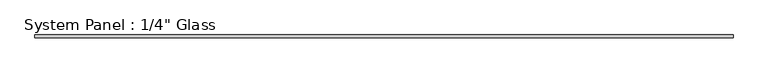
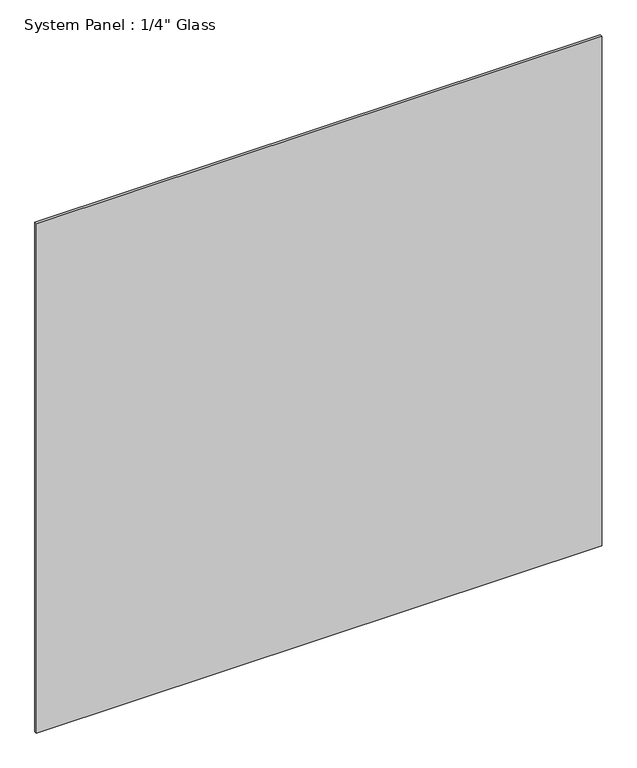
"""IFC4 building model written with IfcOpenShell, lengths in millimetres: plate geometry."""

from ifc_helpers import new_model, si_unit, origin, origin_with_axes, place, context, project, spatial, polyline, outline, extrude, source, transform, mapped, element, save


def plate_1dae3ec9(model_context):
    return source(origin(), model_context, "Body", "SweptSolid", [
        extrude(outline(polyline([(734.0055865, -3.175), (-734.0055865, -3.175), (-734.0055865, 3.175), (734.0055865, 3.175), (734.0055865, -3.175)])), origin_with_axes(), (0.0, 0.0, 1.0), 1398.3841382),
    ])


if __name__ == "__main__":
    model = new_model("IFC4")
    model_context = context("Model", 3, world=origin())
    ifc_project = project(units=[si_unit("LENGTHUNIT", "METRE", prefix="MILLI")], contexts=[model_context])
    site = spatial("IfcSite", under=ifc_project)
    building = spatial("IfcBuilding", under=site)
    placement = place(None, origin())
    plate_shape = plate_1dae3ec9(model_context)
    element("IfcPlate", 1, ObjectType="System Panel : 1/4\" Glass", at=placement, inside=building, context=model_context, shape_type="MappedRepresentation", body=[
        mapped(plate_shape, transform((0.0, 0.0, 0.0), x_axis=(1.0, 0.0, 0.0), y_axis=(0.0, 1.0, 0.0), z_axis=(0.0, 0.0, 1.0))),
    ])
    save(model, "model.ifc")
